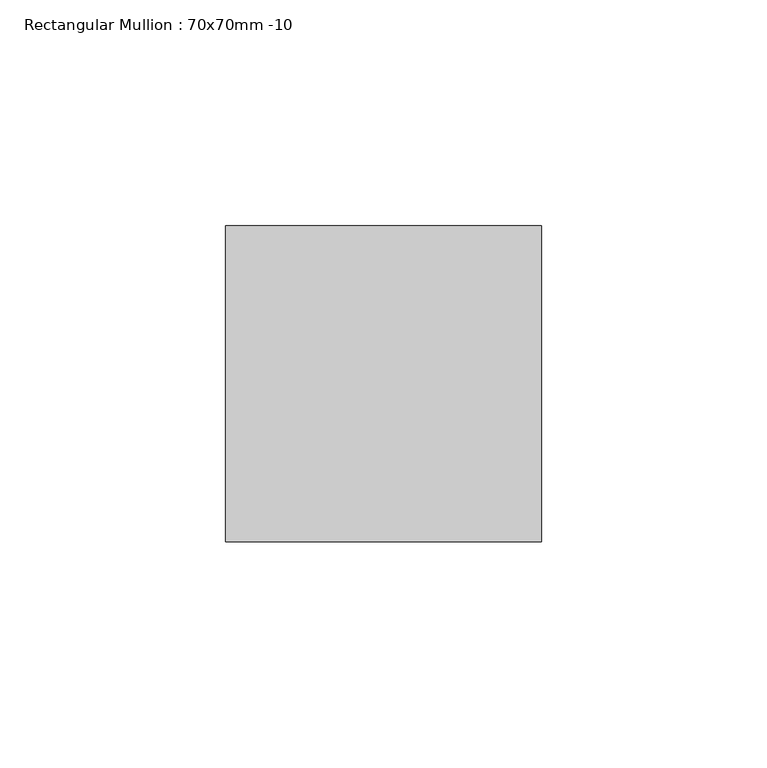
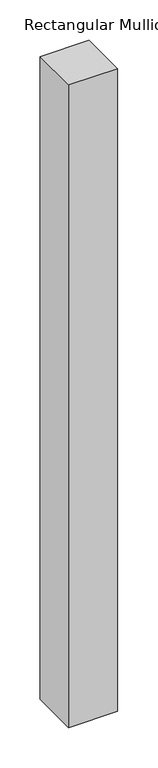
"""IFC4 building model written with IfcOpenShell, lengths in millimetres: member geometry, Rectangular Mullion : 70x70mm -10."""

import ifcopenshell
import ifcopenshell.guid

model = None  # the IFC model being written
_history = None  # IfcOwnerHistory: only IFC2X3 demands one
_inside = {}  # id of a spatial element -> (the spatial element, [elements in it])
_under = {}  # id of a project, library or spatial element -> (it, [spatial elements below it])
_declared = {}  # id of a project -> (the project, [libraries it declares])
_typed = {}  # id of a type object -> (the type object, [elements of that type])
_made_of = {}  # id of a material, layer set ... -> (it, [elements and type objects made of it])


def new_model(schema):
    """Start an empty IFC model of exactly this schema.

    Asked for "IFC4X3", IfcOpenShell would pick the latest addendum, in which some entities
    have other attributes; the version numbers below select the first issue.
    IFC2X3 requires an IfcOwnerHistory on every rooted entity: one is made here for all.
    """
    global model, _history
    if schema == "IFC4X3":
        model = ifcopenshell.file(schema_version=(4, 3, 0, 0))
    else:
        model = ifcopenshell.file(schema=schema)
    _inside.clear()
    _under.clear()
    _declared.clear()
    _typed.clear()
    _made_of.clear()
    _history = None
    if model.schema == "IFC2X3":
        org = make("IfcOrganization", Name="unknown")
        user = make(
            "IfcPersonAndOrganization",
            ThePerson=make("IfcPerson", FamilyName="unknown"),
            TheOrganization=org,
        )
        app = make(
            "IfcApplication",
            ApplicationDeveloper=org,
            Version="unknown",
            ApplicationFullName="unknown",
            ApplicationIdentifier="unknown",
        )
        _history = make(
            "IfcOwnerHistory",
            OwningUser=user,
            OwningApplication=app,
            ChangeAction="ADDED",
            CreationDate=0,
        )
    return model


def make(cls, **values):
    """One entity of the class cls with the attributes given. An attribute that is None is left unset."""
    return model.create_entity(
        cls, **{name: value for name, value in values.items() if value is not None}
    )


def rooted(cls, **values):
    """An entity with a GlobalId (a new one), such as an element, a storey or a relation."""
    return make(cls, GlobalId=ifcopenshell.guid.new(), OwnerHistory=_history, **values)


def si_unit(unit_type, name, prefix=None):
    """IfcSIUnit, for example si_unit("LENGTHUNIT", "METRE", prefix="MILLI")."""
    return make("IfcSIUnit", UnitType=unit_type, Prefix=prefix, Name=name)


def assignment(units):
    """IfcUnitAssignment: the units of a project."""
    return None if units is None else make("IfcUnitAssignment", Units=units)


def point(xyz):
    """IfcCartesianPoint."""
    return None if xyz is None else make("IfcCartesianPoint", Coordinates=xyz)


def direction(xyz):
    """IfcDirection."""
    return None if xyz is None else make("IfcDirection", DirectionRatios=xyz)


def frame(location, z_axis=None, x_axis=None):
    """IfcAxis2Placement3D, a coordinate frame: its origin and axes. An axis left out is left unset."""
    return make(
        "IfcAxis2Placement3D",
        Location=point(location),
        Axis=direction(z_axis),
        RefDirection=direction(x_axis),
    )


def origin():
    """The frame at (0, 0, 0) with its axes left unset."""
    return frame((0.0, 0.0, 0.0))


def place(relative_to, where):
    """IfcLocalPlacement: puts the frame where relative to a parent placement (None: the world)."""
    return make(
        "IfcLocalPlacement", PlacementRelTo=relative_to, RelativePlacement=where
    )


def context(
    kind, dimensions, precision=None, world=None, true_north=None, identifier=None
):
    """IfcGeometricRepresentationContext, for example the 3D "Model" context."""
    return make(
        "IfcGeometricRepresentationContext",
        ContextIdentifier=identifier,
        ContextType=kind,
        CoordinateSpaceDimension=dimensions,
        Precision=precision,
        WorldCoordinateSystem=world,
        TrueNorth=true_north,
    )


def project(units=None, contexts=None):
    """IfcProject with its units and contexts."""
    return rooted(
        "IfcProject",
        Name="project",
        RepresentationContexts=contexts,
        UnitsInContext=assignment(units),
    )


def spatial(cls, under=None, at=None, **own):
    """A site, building, storey or space (cls), placed at a placement, below another one or the project."""
    s = rooted(cls, ObjectPlacement=at, **own)
    if under is not None:
        _under.setdefault(under.id(), (under, []))[1].append(s)
    return s


def polyline(points):
    """IfcPolyline through the points."""
    return make("IfcPolyline", Points=[point(p) for p in points])


def outline(outer, holes=None, kind="AREA"):
    """IfcArbitraryClosedProfileDef: a profile drawn as a closed curve; with holes, ...WithVoids."""
    if holes is None:
        return make("IfcArbitraryClosedProfileDef", ProfileType=kind, OuterCurve=outer)
    return make(
        "IfcArbitraryProfileDefWithVoids",
        ProfileType=kind,
        OuterCurve=outer,
        InnerCurves=holes,
    )


def extrude(swept, where, along, depth):
    """IfcExtrudedAreaSolid: the profile swept, set in the frame where, extruded along a direction by depth."""
    return make(
        "IfcExtrudedAreaSolid",
        SweptArea=swept,
        Position=where,
        ExtrudedDirection=direction(along),
        Depth=depth,
    )


def shape(context_of_items, identifier, shape_type, items):
    """IfcShapeRepresentation: the items that make up one representation, for example the "Body"."""
    return make(
        "IfcShapeRepresentation",
        ContextOfItems=context_of_items,
        RepresentationIdentifier=identifier,
        RepresentationType=shape_type,
        Items=items,
    )


def source(mapping_origin, context_of_items, identifier, shape_type, items):
    """IfcRepresentationMap: a shape defined once, which mapped items show again and again."""
    return make(
        "IfcRepresentationMap",
        MappingOrigin=mapping_origin,
        MappedRepresentation=shape(context_of_items, identifier, shape_type, items),
    )


def transform(
    local_origin,
    x_axis=None,
    y_axis=None,
    z_axis=None,
    scale=None,
    scale2=None,
    scale3=None,
    uniform=True,
):
    """IfcCartesianTransformationOperator3D, or its non-uniform kind. x_axis, y_axis, z_axis: its Axis1, 2, 3."""
    if uniform:
        return make(
            "IfcCartesianTransformationOperator3D",
            Axis1=direction(x_axis),
            Axis2=direction(y_axis),
            LocalOrigin=point(local_origin),
            Scale=scale,
            Axis3=direction(z_axis),
        )
    return make(
        "IfcCartesianTransformationOperator3DnonUniform",
        Axis1=direction(x_axis),
        Axis2=direction(y_axis),
        LocalOrigin=point(local_origin),
        Scale=scale,
        Axis3=direction(z_axis),
        Scale2=scale2,
        Scale3=scale3,
    )


def mapped(mapping_source, mapping_target):
    """IfcMappedItem: shows the shape of a source again, moved by a transform."""
    return make(
        "IfcMappedItem", MappingSource=mapping_source, MappingTarget=mapping_target
    )


def made_of(thing, what):
    """Note that an element or type object is made of a material, layer set ...; save() writes the relation."""
    if what is not None:
        _made_of.setdefault(what.id(), (what, []))[1].append(thing)
    return thing


def element(
    cls,
    number,
    at=None,
    inside=None,
    cuts=None,
    type_object=None,
    material=None,
    context=None,
    identifier="Body",
    shape_type=None,
    held_by="IfcProductDefinitionShape",
    body=None,
    shapes=None,
    **own,
):
    """One element of the class cls, such as IfcWall. Its Tag is "e" and its number.

    at: its placement. inside: the storey or other place that contains it. cuts: it is an
    opening in that element (IfcRelVoidsElement). A single representation is given by context,
    identifier, shape_type and body (its items); several are given by shapes. held_by: the class
    of the entity that holds the representations. save() writes the other relations.
    """
    e = rooted(cls, Tag="e%d" % number, ObjectPlacement=at, **own)
    if body is not None:
        shapes = [shape(context, identifier, shape_type, body)]
    if shapes is not None:
        e.Representation = make(held_by, Representations=shapes)
    if inside is not None:
        _inside.setdefault(inside.id(), (inside, []))[1].append(e)
    if cuts is not None:
        rooted(
            "IfcRelVoidsElement", RelatingBuildingElement=cuts, RelatedOpeningElement=e
        )
    if type_object is not None:
        _typed.setdefault(type_object.id(), (type_object, []))[1].append(e)
    return made_of(e, material)


def aggregate(whole, parts):
    """IfcRelAggregates: a whole, such as a stair, and the parts it consists of."""
    return rooted("IfcRelAggregates", RelatingObject=whole, RelatedObjects=parts)


def save(model, path):
    """Write the relations noted so far, then the file.

    IfcRelAggregates (storeys below a building ...), IfcRelContainedInSpatialStructure (elements
    in a storey), IfcRelDefinesByType, IfcRelAssociatesMaterial and IfcRelDeclares: one each for
    every whole, place, type object, material and project.
    """
    for whole, parts in _under.values():
        aggregate(whole, parts)
    for where, things in _inside.values():
        rooted(
            "IfcRelContainedInSpatialStructure",
            RelatedElements=things,
            RelatingStructure=where,
        )
    for kind, things in _typed.values():
        rooted("IfcRelDefinesByType", RelatedObjects=things, RelatingType=kind)
    for what, things in _made_of.values():
        rooted("IfcRelAssociatesMaterial", RelatedObjects=things, RelatingMaterial=what)
    for by, libraries in _declared.values():
        rooted("IfcRelDeclares", RelatingContext=by, RelatedDefinitions=libraries)
    model.write(path)


def rectangular_mullion_70x70mm_10_0ce3bb1c(model_context):
    return source(origin(), model_context, "Body", "SweptSolid", [
        extrude(outline(polyline([(35.0, 45.0), (35.0, -25.0), (-35.0, -25.0), (-35.0, 45.0), (35.0, 45.0)])), frame((0.0, 0.0, -970.0), z_axis=(0.0, 0.0, 1.0), x_axis=(1.0, 0.0, 0.0)), (0.0, 0.0, 1.0), 970.0),
    ])


if __name__ == "__main__":
    model = new_model("IFC4")
    model_context = context("Model", 3, world=origin())
    ifc_project = project(units=[si_unit("LENGTHUNIT", "METRE", prefix="MILLI")], contexts=[model_context])
    site = spatial("IfcSite", under=ifc_project)
    building = spatial("IfcBuilding", under=site)
    placement = place(None, origin())
    rectangular_mullion_70x70mm_10_shape = rectangular_mullion_70x70mm_10_0ce3bb1c(model_context)
    element("IfcMember", 1, ObjectType="Rectangular Mullion : 70x70mm -10", at=placement, inside=building, context=model_context, shape_type="MappedRepresentation", body=[
        mapped(rectangular_mullion_70x70mm_10_shape, transform((0.0, 0.0, 0.0), x_axis=(1.0, 0.0, 0.0), y_axis=(0.0, 1.0, 0.0), z_axis=(0.0, 0.0, 1.0))),
    ])
    save(model, "model.ifc")
